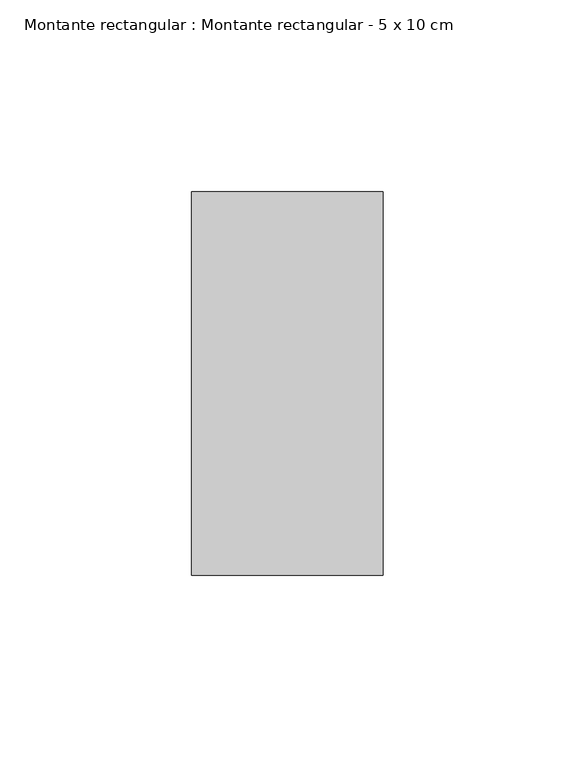
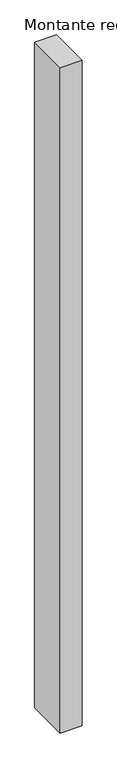
"""IFC4 building model written with IfcOpenShell, lengths in millimetres: member geometry, Montante rectangular : Montante rectangular - 5 x 10 cm."""

import ifcopenshell
import ifcopenshell.guid

model = None  # the IFC model being written
_history = None  # IfcOwnerHistory: only IFC2X3 demands one
_inside = {}  # id of a spatial element -> (the spatial element, [elements in it])
_under = {}  # id of a project, library or spatial element -> (it, [spatial elements below it])
_declared = {}  # id of a project -> (the project, [libraries it declares])
_typed = {}  # id of a type object -> (the type object, [elements of that type])
_made_of = {}  # id of a material, layer set ... -> (it, [elements and type objects made of it])


def new_model(schema):
    """Start an empty IFC model of exactly this schema.

    Asked for "IFC4X3", IfcOpenShell would pick the latest addendum, in which some entities
    have other attributes; the version numbers below select the first issue.
    IFC2X3 requires an IfcOwnerHistory on every rooted entity: one is made here for all.
    """
    global model, _history
    if schema == "IFC4X3":
        model = ifcopenshell.file(schema_version=(4, 3, 0, 0))
    else:
        model = ifcopenshell.file(schema=schema)
    _inside.clear()
    _under.clear()
    _declared.clear()
    _typed.clear()
    _made_of.clear()
    _history = None
    if model.schema == "IFC2X3":
        org = make("IfcOrganization", Name="unknown")
        user = make(
            "IfcPersonAndOrganization",
            ThePerson=make("IfcPerson", FamilyName="unknown"),
            TheOrganization=org,
        )
        app = make(
            "IfcApplication",
            ApplicationDeveloper=org,
            Version="unknown",
            ApplicationFullName="unknown",
            ApplicationIdentifier="unknown",
        )
        _history = make(
            "IfcOwnerHistory",
            OwningUser=user,
            OwningApplication=app,
            ChangeAction="ADDED",
            CreationDate=0,
        )
    return model


def make(cls, **values):
    """One entity of the class cls with the attributes given. An attribute that is None is left unset."""
    return model.create_entity(
        cls, **{name: value for name, value in values.items() if value is not None}
    )


def rooted(cls, **values):
    """An entity with a GlobalId (a new one), such as an element, a storey or a relation."""
    return make(cls, GlobalId=ifcopenshell.guid.new(), OwnerHistory=_history, **values)


def si_unit(unit_type, name, prefix=None):
    """IfcSIUnit, for example si_unit("LENGTHUNIT", "METRE", prefix="MILLI")."""
    return make("IfcSIUnit", UnitType=unit_type, Prefix=prefix, Name=name)


def assignment(units):
    """IfcUnitAssignment: the units of a project."""
    return None if units is None else make("IfcUnitAssignment", Units=units)


def point(xyz):
    """IfcCartesianPoint."""
    return None if xyz is None else make("IfcCartesianPoint", Coordinates=xyz)


def direction(xyz):
    """IfcDirection."""
    return None if xyz is None else make("IfcDirection", DirectionRatios=xyz)


def frame(location, z_axis=None, x_axis=None):
    """IfcAxis2Placement3D, a coordinate frame: its origin and axes. An axis left out is left unset."""
    return make(
        "IfcAxis2Placement3D",
        Location=point(location),
        Axis=direction(z_axis),
        RefDirection=direction(x_axis),
    )


def origin():
    """The frame at (0, 0, 0) with its axes left unset."""
    return frame((0.0, 0.0, 0.0))


def place(relative_to, where):
    """IfcLocalPlacement: puts the frame where relative to a parent placement (None: the world)."""
    return make(
        "IfcLocalPlacement", PlacementRelTo=relative_to, RelativePlacement=where
    )


def context(
    kind, dimensions, precision=None, world=None, true_north=None, identifier=None
):
    """IfcGeometricRepresentationContext, for example the 3D "Model" context."""
    return make(
        "IfcGeometricRepresentationContext",
        ContextIdentifier=identifier,
        ContextType=kind,
        CoordinateSpaceDimension=dimensions,
        Precision=precision,
        WorldCoordinateSystem=world,
        TrueNorth=true_north,
    )


def project(units=None, contexts=None):
    """IfcProject with its units and contexts."""
    return rooted(
        "IfcProject",
        Name="project",
        RepresentationContexts=contexts,
        UnitsInContext=assignment(units),
    )


def spatial(cls, under=None, at=None, **own):
    """A site, building, storey or space (cls), placed at a placement, below another one or the project."""
    s = rooted(cls, ObjectPlacement=at, **own)
    if under is not None:
        _under.setdefault(under.id(), (under, []))[1].append(s)
    return s


def polyline(points):
    """IfcPolyline through the points."""
    return make("IfcPolyline", Points=[point(p) for p in points])


def outline(outer, holes=None, kind="AREA"):
    """IfcArbitraryClosedProfileDef: a profile drawn as a closed curve; with holes, ...WithVoids."""
    if holes is None:
        return make("IfcArbitraryClosedProfileDef", ProfileType=kind, OuterCurve=outer)
    return make(
        "IfcArbitraryProfileDefWithVoids",
        ProfileType=kind,
        OuterCurve=outer,
        InnerCurves=holes,
    )


def extrude(swept, where, along, depth):
    """IfcExtrudedAreaSolid: the profile swept, set in the frame where, extruded along a direction by depth."""
    return make(
        "IfcExtrudedAreaSolid",
        SweptArea=swept,
        Position=where,
        ExtrudedDirection=direction(along),
        Depth=depth,
    )


def shape(context_of_items, identifier, shape_type, items):
    """IfcShapeRepresentation: the items that make up one representation, for example the "Body"."""
    return make(
        "IfcShapeRepresentation",
        ContextOfItems=context_of_items,
        RepresentationIdentifier=identifier,
        RepresentationType=shape_type,
        Items=items,
    )


def source(mapping_origin, context_of_items, identifier, shape_type, items):
    """IfcRepresentationMap: a shape defined once, which mapped items show again and again."""
    return make(
        "IfcRepresentationMap",
        MappingOrigin=mapping_origin,
        MappedRepresentation=shape(context_of_items, identifier, shape_type, items),
    )


def transform(
    local_origin,
    x_axis=None,
    y_axis=None,
    z_axis=None,
    scale=None,
    scale2=None,
    scale3=None,
    uniform=True,
):
    """IfcCartesianTransformationOperator3D, or its non-uniform kind. x_axis, y_axis, z_axis: its Axis1, 2, 3."""
    if uniform:
        return make(
            "IfcCartesianTransformationOperator3D",
            Axis1=direction(x_axis),
            Axis2=direction(y_axis),
            LocalOrigin=point(local_origin),
            Scale=scale,
            Axis3=direction(z_axis),
        )
    return make(
        "IfcCartesianTransformationOperator3DnonUniform",
        Axis1=direction(x_axis),
        Axis2=direction(y_axis),
        LocalOrigin=point(local_origin),
        Scale=scale,
        Axis3=direction(z_axis),
        Scale2=scale2,
        Scale3=scale3,
    )


def mapped(mapping_source, mapping_target):
    """IfcMappedItem: shows the shape of a source again, moved by a transform."""
    return make(
        "IfcMappedItem", MappingSource=mapping_source, MappingTarget=mapping_target
    )


def made_of(thing, what):
    """Note that an element or type object is made of a material, layer set ...; save() writes the relation."""
    if what is not None:
        _made_of.setdefault(what.id(), (what, []))[1].append(thing)
    return thing


def element(
    cls,
    number,
    at=None,
    inside=None,
    cuts=None,
    type_object=None,
    material=None,
    context=None,
    identifier="Body",
    shape_type=None,
    held_by="IfcProductDefinitionShape",
    body=None,
    shapes=None,
    **own,
):
    """One element of the class cls, such as IfcWall. Its Tag is "e" and its number.

    at: its placement. inside: the storey or other place that contains it. cuts: it is an
    opening in that element (IfcRelVoidsElement). A single representation is given by context,
    identifier, shape_type and body (its items); several are given by shapes. held_by: the class
    of the entity that holds the representations. save() writes the other relations.
    """
    e = rooted(cls, Tag="e%d" % number, ObjectPlacement=at, **own)
    if body is not None:
        shapes = [shape(context, identifier, shape_type, body)]
    if shapes is not None:
        e.Representation = make(held_by, Representations=shapes)
    if inside is not None:
        _inside.setdefault(inside.id(), (inside, []))[1].append(e)
    if cuts is not None:
        rooted(
            "IfcRelVoidsElement", RelatingBuildingElement=cuts, RelatedOpeningElement=e
        )
    if type_object is not None:
        _typed.setdefault(type_object.id(), (type_object, []))[1].append(e)
    return made_of(e, material)


def aggregate(whole, parts):
    """IfcRelAggregates: a whole, such as a stair, and the parts it consists of."""
    return rooted("IfcRelAggregates", RelatingObject=whole, RelatedObjects=parts)


def save(model, path):
    """Write the relations noted so far, then the file.

    IfcRelAggregates (storeys below a building ...), IfcRelContainedInSpatialStructure (elements
    in a storey), IfcRelDefinesByType, IfcRelAssociatesMaterial and IfcRelDeclares: one each for
    every whole, place, type object, material and project.
    """
    for whole, parts in _under.values():
        aggregate(whole, parts)
    for where, things in _inside.values():
        rooted(
            "IfcRelContainedInSpatialStructure",
            RelatedElements=things,
            RelatingStructure=where,
        )
    for kind, things in _typed.values():
        rooted("IfcRelDefinesByType", RelatedObjects=things, RelatingType=kind)
    for what, things in _made_of.values():
        rooted("IfcRelAssociatesMaterial", RelatedObjects=things, RelatingMaterial=what)
    for by, libraries in _declared.values():
        rooted("IfcRelDeclares", RelatingContext=by, RelatedDefinitions=libraries)
    model.write(path)


def montante_rectangular_montante_rectangular_5_x_10_cm_4e64f059(model_context):
    return source(origin(), model_context, "Body", "SweptSolid", [
        extrude(outline(polyline([(-50.0, -50.0), (-50.0, 50.0), (0.0, 50.0), (0.0, -50.0), (-50.0, -50.0)])), frame((0.0, 0.0, -1594.4303161), z_axis=(0.0, 0.0, 1.0), x_axis=(1.0, 0.0, 0.0)), (0.0, 0.0, 1.0), 1594.4303161),
    ])


if __name__ == "__main__":
    model = new_model("IFC4")
    model_context = context("Model", 3, world=origin())
    ifc_project = project(units=[si_unit("LENGTHUNIT", "METRE", prefix="MILLI")], contexts=[model_context])
    site = spatial("IfcSite", under=ifc_project)
    building = spatial("IfcBuilding", under=site)
    placement = place(None, origin())
    montante_rectangular_montante_rectangular_5_x_10_cm_shape = montante_rectangular_montante_rectangular_5_x_10_cm_4e64f059(model_context)
    element("IfcMember", 1, ObjectType="Montante rectangular : Montante rectangular - 5 x 10 cm", at=placement, inside=building, context=model_context, shape_type="MappedRepresentation", body=[
        mapped(montante_rectangular_montante_rectangular_5_x_10_cm_shape, transform((0.0, 0.0, 0.0), x_axis=(1.0, 0.0, 0.0), y_axis=(0.0, 1.0, 0.0), z_axis=(0.0, 0.0, 1.0))),
    ])
    save(model, "model.ifc")
